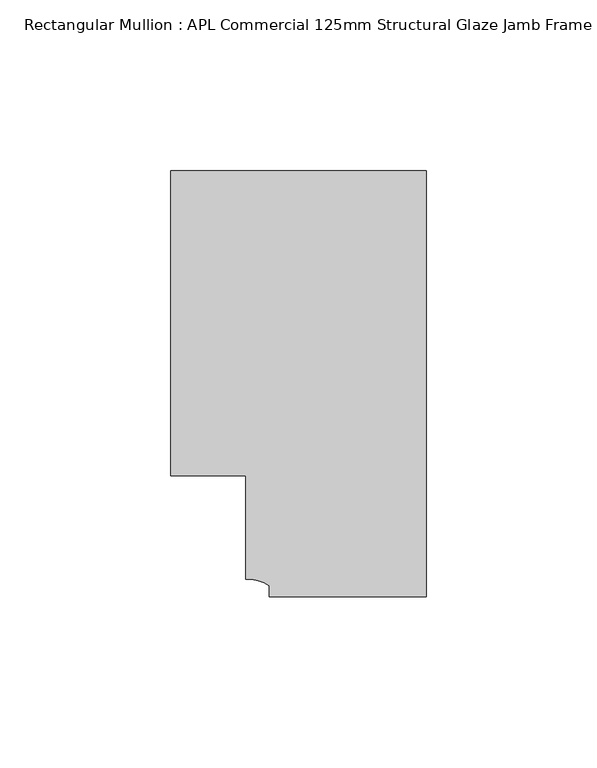
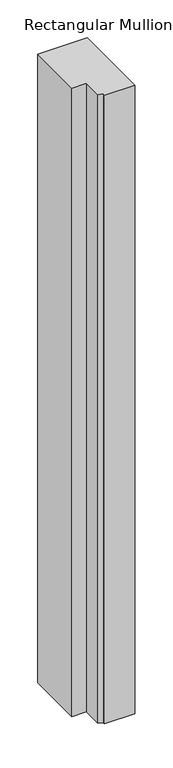
"""IFC4 building model written with IfcOpenShell, lengths in millimetres: member geometry, Rectangular Mullion : APL Commercial 125mm Structural Glaze Jamb Frame (right)."""

import ifcopenshell
import ifcopenshell.guid

model = None  # the IFC model being written
_history = None  # IfcOwnerHistory: only IFC2X3 demands one
_inside = {}  # id of a spatial element -> (the spatial element, [elements in it])
_under = {}  # id of a project, library or spatial element -> (it, [spatial elements below it])
_declared = {}  # id of a project -> (the project, [libraries it declares])
_typed = {}  # id of a type object -> (the type object, [elements of that type])
_made_of = {}  # id of a material, layer set ... -> (it, [elements and type objects made of it])


def new_model(schema):
    """Start an empty IFC model of exactly this schema.

    Asked for "IFC4X3", IfcOpenShell would pick the latest addendum, in which some entities
    have other attributes; the version numbers below select the first issue.
    IFC2X3 requires an IfcOwnerHistory on every rooted entity: one is made here for all.
    """
    global model, _history
    if schema == "IFC4X3":
        model = ifcopenshell.file(schema_version=(4, 3, 0, 0))
    else:
        model = ifcopenshell.file(schema=schema)
    _inside.clear()
    _under.clear()
    _declared.clear()
    _typed.clear()
    _made_of.clear()
    _history = None
    if model.schema == "IFC2X3":
        org = make("IfcOrganization", Name="unknown")
        user = make(
            "IfcPersonAndOrganization",
            ThePerson=make("IfcPerson", FamilyName="unknown"),
            TheOrganization=org,
        )
        app = make(
            "IfcApplication",
            ApplicationDeveloper=org,
            Version="unknown",
            ApplicationFullName="unknown",
            ApplicationIdentifier="unknown",
        )
        _history = make(
            "IfcOwnerHistory",
            OwningUser=user,
            OwningApplication=app,
            ChangeAction="ADDED",
            CreationDate=0,
        )
    return model


def make(cls, **values):
    """One entity of the class cls with the attributes given. An attribute that is None is left unset."""
    return model.create_entity(
        cls, **{name: value for name, value in values.items() if value is not None}
    )


def rooted(cls, **values):
    """An entity with a GlobalId (a new one), such as an element, a storey or a relation."""
    return make(cls, GlobalId=ifcopenshell.guid.new(), OwnerHistory=_history, **values)


def si_unit(unit_type, name, prefix=None):
    """IfcSIUnit, for example si_unit("LENGTHUNIT", "METRE", prefix="MILLI")."""
    return make("IfcSIUnit", UnitType=unit_type, Prefix=prefix, Name=name)


def assignment(units):
    """IfcUnitAssignment: the units of a project."""
    return None if units is None else make("IfcUnitAssignment", Units=units)


def point(xyz):
    """IfcCartesianPoint."""
    return None if xyz is None else make("IfcCartesianPoint", Coordinates=xyz)


def direction(xyz):
    """IfcDirection."""
    return None if xyz is None else make("IfcDirection", DirectionRatios=xyz)


def frame(location, z_axis=None, x_axis=None):
    """IfcAxis2Placement3D, a coordinate frame: its origin and axes. An axis left out is left unset."""
    return make(
        "IfcAxis2Placement3D",
        Location=point(location),
        Axis=direction(z_axis),
        RefDirection=direction(x_axis),
    )


def frame_2d(location, x_axis=None):
    """IfcAxis2Placement2D, a coordinate frame in the plane: its origin and x axis."""
    return make(
        "IfcAxis2Placement2D", Location=point(location), RefDirection=direction(x_axis)
    )


def origin():
    """The frame at (0, 0, 0) with its axes left unset."""
    return frame((0.0, 0.0, 0.0))


def place(relative_to, where):
    """IfcLocalPlacement: puts the frame where relative to a parent placement (None: the world)."""
    return make(
        "IfcLocalPlacement", PlacementRelTo=relative_to, RelativePlacement=where
    )


def context(
    kind, dimensions, precision=None, world=None, true_north=None, identifier=None
):
    """IfcGeometricRepresentationContext, for example the 3D "Model" context."""
    return make(
        "IfcGeometricRepresentationContext",
        ContextIdentifier=identifier,
        ContextType=kind,
        CoordinateSpaceDimension=dimensions,
        Precision=precision,
        WorldCoordinateSystem=world,
        TrueNorth=true_north,
    )


def project(units=None, contexts=None):
    """IfcProject with its units and contexts."""
    return rooted(
        "IfcProject",
        Name="project",
        RepresentationContexts=contexts,
        UnitsInContext=assignment(units),
    )


def spatial(cls, under=None, at=None, **own):
    """A site, building, storey or space (cls), placed at a placement, below another one or the project."""
    s = rooted(cls, ObjectPlacement=at, **own)
    if under is not None:
        _under.setdefault(under.id(), (under, []))[1].append(s)
    return s


def polyline(points):
    """IfcPolyline through the points."""
    return make("IfcPolyline", Points=[point(p) for p in points])


def circle_curve(where, radius):
    """IfcCircle in the frame where."""
    return make("IfcCircle", Position=where, Radius=radius)


def trimmed(basis, trim1, trim2, sense, master):
    """IfcTrimmedCurve: the piece of a basis curve between two trims."""
    return make(
        "IfcTrimmedCurve",
        BasisCurve=basis,
        Trim1=trim1,
        Trim2=trim2,
        SenseAgreement=sense,
        MasterRepresentation=master,
    )


def segment(curve, same_sense, transition):
    """IfcCompositeCurveSegment."""
    return make(
        "IfcCompositeCurveSegment",
        Transition=transition,
        SameSense=same_sense,
        ParentCurve=curve,
    )


def composite_curve(segments, self_intersect=None):
    """IfcCompositeCurve: segments joined end to end."""
    return make("IfcCompositeCurve", Segments=segments, SelfIntersect=self_intersect)


def outline(outer, holes=None, kind="AREA"):
    """IfcArbitraryClosedProfileDef: a profile drawn as a closed curve; with holes, ...WithVoids."""
    if holes is None:
        return make("IfcArbitraryClosedProfileDef", ProfileType=kind, OuterCurve=outer)
    return make(
        "IfcArbitraryProfileDefWithVoids",
        ProfileType=kind,
        OuterCurve=outer,
        InnerCurves=holes,
    )


def extrude(swept, where, along, depth):
    """IfcExtrudedAreaSolid: the profile swept, set in the frame where, extruded along a direction by depth."""
    return make(
        "IfcExtrudedAreaSolid",
        SweptArea=swept,
        Position=where,
        ExtrudedDirection=direction(along),
        Depth=depth,
    )


def shape(context_of_items, identifier, shape_type, items):
    """IfcShapeRepresentation: the items that make up one representation, for example the "Body"."""
    return make(
        "IfcShapeRepresentation",
        ContextOfItems=context_of_items,
        RepresentationIdentifier=identifier,
        RepresentationType=shape_type,
        Items=items,
    )


def source(mapping_origin, context_of_items, identifier, shape_type, items):
    """IfcRepresentationMap: a shape defined once, which mapped items show again and again."""
    return make(
        "IfcRepresentationMap",
        MappingOrigin=mapping_origin,
        MappedRepresentation=shape(context_of_items, identifier, shape_type, items),
    )


def transform(
    local_origin,
    x_axis=None,
    y_axis=None,
    z_axis=None,
    scale=None,
    scale2=None,
    scale3=None,
    uniform=True,
):
    """IfcCartesianTransformationOperator3D, or its non-uniform kind. x_axis, y_axis, z_axis: its Axis1, 2, 3."""
    if uniform:
        return make(
            "IfcCartesianTransformationOperator3D",
            Axis1=direction(x_axis),
            Axis2=direction(y_axis),
            LocalOrigin=point(local_origin),
            Scale=scale,
            Axis3=direction(z_axis),
        )
    return make(
        "IfcCartesianTransformationOperator3DnonUniform",
        Axis1=direction(x_axis),
        Axis2=direction(y_axis),
        LocalOrigin=point(local_origin),
        Scale=scale,
        Axis3=direction(z_axis),
        Scale2=scale2,
        Scale3=scale3,
    )


def mapped(mapping_source, mapping_target):
    """IfcMappedItem: shows the shape of a source again, moved by a transform."""
    return make(
        "IfcMappedItem", MappingSource=mapping_source, MappingTarget=mapping_target
    )


def made_of(thing, what):
    """Note that an element or type object is made of a material, layer set ...; save() writes the relation."""
    if what is not None:
        _made_of.setdefault(what.id(), (what, []))[1].append(thing)
    return thing


def element(
    cls,
    number,
    at=None,
    inside=None,
    cuts=None,
    type_object=None,
    material=None,
    context=None,
    identifier="Body",
    shape_type=None,
    held_by="IfcProductDefinitionShape",
    body=None,
    shapes=None,
    **own,
):
    """One element of the class cls, such as IfcWall. Its Tag is "e" and its number.

    at: its placement. inside: the storey or other place that contains it. cuts: it is an
    opening in that element (IfcRelVoidsElement). A single representation is given by context,
    identifier, shape_type and body (its items); several are given by shapes. held_by: the class
    of the entity that holds the representations. save() writes the other relations.
    """
    e = rooted(cls, Tag="e%d" % number, ObjectPlacement=at, **own)
    if body is not None:
        shapes = [shape(context, identifier, shape_type, body)]
    if shapes is not None:
        e.Representation = make(held_by, Representations=shapes)
    if inside is not None:
        _inside.setdefault(inside.id(), (inside, []))[1].append(e)
    if cuts is not None:
        rooted(
            "IfcRelVoidsElement", RelatingBuildingElement=cuts, RelatedOpeningElement=e
        )
    if type_object is not None:
        _typed.setdefault(type_object.id(), (type_object, []))[1].append(e)
    return made_of(e, material)


def aggregate(whole, parts):
    """IfcRelAggregates: a whole, such as a stair, and the parts it consists of."""
    return rooted("IfcRelAggregates", RelatingObject=whole, RelatedObjects=parts)


def save(model, path):
    """Write the relations noted so far, then the file.

    IfcRelAggregates (storeys below a building ...), IfcRelContainedInSpatialStructure (elements
    in a storey), IfcRelDefinesByType, IfcRelAssociatesMaterial and IfcRelDeclares: one each for
    every whole, place, type object, material and project.
    """
    for whole, parts in _under.values():
        aggregate(whole, parts)
    for where, things in _inside.values():
        rooted(
            "IfcRelContainedInSpatialStructure",
            RelatedElements=things,
            RelatingStructure=where,
        )
    for kind, things in _typed.values():
        rooted("IfcRelDefinesByType", RelatedObjects=things, RelatingType=kind)
    for what, things in _made_of.values():
        rooted("IfcRelAssociatesMaterial", RelatedObjects=things, RelatingMaterial=what)
    for by, libraries in _declared.values():
        rooted("IfcRelDeclares", RelatingContext=by, RelatedDefinitions=libraries)
    model.write(path)


def rectangular_mullion_apl_commercial_125mm_structural_glaze_1fe13fd2(model_context):
    return source(origin(), model_context, "Body", "SweptSolid", [
        extrude(outline(composite_curve([segment(polyline([(0.0, -20.5), (-46.0, -20.5), (-46.0, -17.3125212)]), True, "CONTINUOUS"), segment(trimmed(circle_curve(frame_2d((-52.1098019, -25.7981812)), 10.4563907), [point((-46.0, -17.3125212))], [point((-52.9999391, -15.3797475))], True, "CARTESIAN"), True, "CONTINUOUS"), segment(polyline([(-52.9999391, -15.3797475), (-52.9999391, 15.0000829), (-75.0, 15.0000829), (-75.0, 104.5), (0.0, 104.5), (0.0, -20.5)]), True, "CONTINUOUS")], self_intersect=False)), frame((0.0, 0.0, -1010.8198681), z_axis=(0.0, 0.0, 1.0), x_axis=(1.0, 0.0, 0.0)), (0.0, 0.0, 1.0), 1010.8198681),
    ])


if __name__ == "__main__":
    model = new_model("IFC4")
    model_context = context("Model", 3, world=origin())
    ifc_project = project(units=[si_unit("LENGTHUNIT", "METRE", prefix="MILLI")], contexts=[model_context])
    site = spatial("IfcSite", under=ifc_project)
    building = spatial("IfcBuilding", under=site)
    placement = place(None, origin())
    rectangular_mullion_apl_commercial_125mm_structural_glaze_shape = rectangular_mullion_apl_commercial_125mm_structural_glaze_1fe13fd2(model_context)
    element("IfcMember", 1, ObjectType="Rectangular Mullion : APL Commercial 125mm Structural Glaze Jamb Frame (right)", at=placement, inside=building, context=model_context, shape_type="MappedRepresentation", body=[
        mapped(rectangular_mullion_apl_commercial_125mm_structural_glaze_shape, transform((0.0, 0.0, 0.0), x_axis=(1.0, 0.0, 0.0), y_axis=(0.0, 1.0, 0.0), z_axis=(0.0, 0.0, 1.0))),
    ])
    save(model, "model.ifc")
